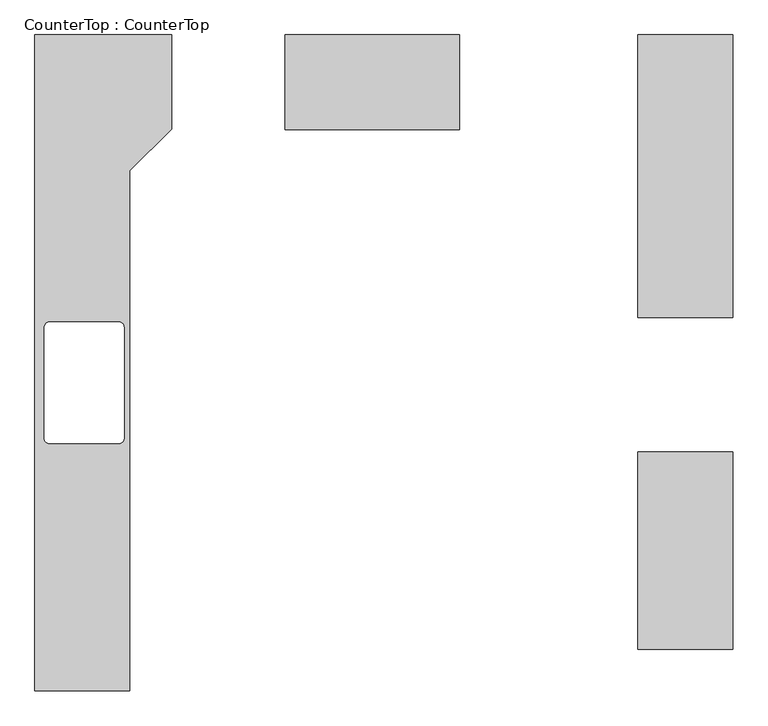
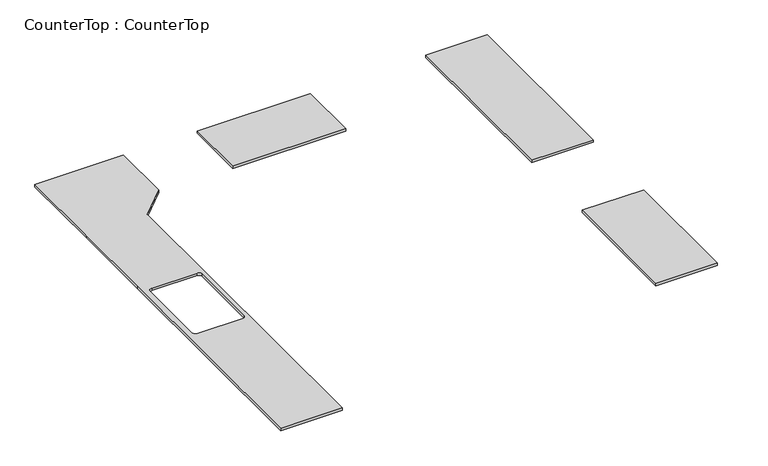
"""IFC4 building model written with IfcOpenShell, lengths in millimetres: proxy geometry, CounterTop : CounterTop."""

import ifcopenshell
import ifcopenshell.guid

model = None  # the IFC model being written
_history = None  # IfcOwnerHistory: only IFC2X3 demands one
_inside = {}  # id of a spatial element -> (the spatial element, [elements in it])
_under = {}  # id of a project, library or spatial element -> (it, [spatial elements below it])
_declared = {}  # id of a project -> (the project, [libraries it declares])
_typed = {}  # id of a type object -> (the type object, [elements of that type])
_made_of = {}  # id of a material, layer set ... -> (it, [elements and type objects made of it])


def new_model(schema):
    """Start an empty IFC model of exactly this schema.

    Asked for "IFC4X3", IfcOpenShell would pick the latest addendum, in which some entities
    have other attributes; the version numbers below select the first issue.
    IFC2X3 requires an IfcOwnerHistory on every rooted entity: one is made here for all.
    """
    global model, _history
    if schema == "IFC4X3":
        model = ifcopenshell.file(schema_version=(4, 3, 0, 0))
    else:
        model = ifcopenshell.file(schema=schema)
    _inside.clear()
    _under.clear()
    _declared.clear()
    _typed.clear()
    _made_of.clear()
    _history = None
    if model.schema == "IFC2X3":
        org = make("IfcOrganization", Name="unknown")
        user = make(
            "IfcPersonAndOrganization",
            ThePerson=make("IfcPerson", FamilyName="unknown"),
            TheOrganization=org,
        )
        app = make(
            "IfcApplication",
            ApplicationDeveloper=org,
            Version="unknown",
            ApplicationFullName="unknown",
            ApplicationIdentifier="unknown",
        )
        _history = make(
            "IfcOwnerHistory",
            OwningUser=user,
            OwningApplication=app,
            ChangeAction="ADDED",
            CreationDate=0,
        )
    return model


def make(cls, **values):
    """One entity of the class cls with the attributes given. An attribute that is None is left unset."""
    return model.create_entity(
        cls, **{name: value for name, value in values.items() if value is not None}
    )


def rooted(cls, **values):
    """An entity with a GlobalId (a new one), such as an element, a storey or a relation."""
    return make(cls, GlobalId=ifcopenshell.guid.new(), OwnerHistory=_history, **values)


def si_unit(unit_type, name, prefix=None):
    """IfcSIUnit, for example si_unit("LENGTHUNIT", "METRE", prefix="MILLI")."""
    return make("IfcSIUnit", UnitType=unit_type, Prefix=prefix, Name=name)


def assignment(units):
    """IfcUnitAssignment: the units of a project."""
    return None if units is None else make("IfcUnitAssignment", Units=units)


def point(xyz):
    """IfcCartesianPoint."""
    return None if xyz is None else make("IfcCartesianPoint", Coordinates=xyz)


def direction(xyz):
    """IfcDirection."""
    return None if xyz is None else make("IfcDirection", DirectionRatios=xyz)


def frame(location, z_axis=None, x_axis=None):
    """IfcAxis2Placement3D, a coordinate frame: its origin and axes. An axis left out is left unset."""
    return make(
        "IfcAxis2Placement3D",
        Location=point(location),
        Axis=direction(z_axis),
        RefDirection=direction(x_axis),
    )


def frame_2d(location, x_axis=None):
    """IfcAxis2Placement2D, a coordinate frame in the plane: its origin and x axis."""
    return make(
        "IfcAxis2Placement2D", Location=point(location), RefDirection=direction(x_axis)
    )


def origin():
    """The frame at (0, 0, 0) with its axes left unset."""
    return frame((0.0, 0.0, 0.0))


def place(relative_to, where):
    """IfcLocalPlacement: puts the frame where relative to a parent placement (None: the world)."""
    return make(
        "IfcLocalPlacement", PlacementRelTo=relative_to, RelativePlacement=where
    )


def context(
    kind, dimensions, precision=None, world=None, true_north=None, identifier=None
):
    """IfcGeometricRepresentationContext, for example the 3D "Model" context."""
    return make(
        "IfcGeometricRepresentationContext",
        ContextIdentifier=identifier,
        ContextType=kind,
        CoordinateSpaceDimension=dimensions,
        Precision=precision,
        WorldCoordinateSystem=world,
        TrueNorth=true_north,
    )


def project(units=None, contexts=None):
    """IfcProject with its units and contexts."""
    return rooted(
        "IfcProject",
        Name="project",
        RepresentationContexts=contexts,
        UnitsInContext=assignment(units),
    )


def spatial(cls, under=None, at=None, **own):
    """A site, building, storey or space (cls), placed at a placement, below another one or the project."""
    s = rooted(cls, ObjectPlacement=at, **own)
    if under is not None:
        _under.setdefault(under.id(), (under, []))[1].append(s)
    return s


def polyline(points):
    """IfcPolyline through the points."""
    return make("IfcPolyline", Points=[point(p) for p in points])


def circle_curve(where, radius):
    """IfcCircle in the frame where."""
    return make("IfcCircle", Position=where, Radius=radius)


def trimmed(basis, trim1, trim2, sense, master):
    """IfcTrimmedCurve: the piece of a basis curve between two trims."""
    return make(
        "IfcTrimmedCurve",
        BasisCurve=basis,
        Trim1=trim1,
        Trim2=trim2,
        SenseAgreement=sense,
        MasterRepresentation=master,
    )


def segment(curve, same_sense, transition):
    """IfcCompositeCurveSegment."""
    return make(
        "IfcCompositeCurveSegment",
        Transition=transition,
        SameSense=same_sense,
        ParentCurve=curve,
    )


def composite_curve(segments, self_intersect=None):
    """IfcCompositeCurve: segments joined end to end."""
    return make("IfcCompositeCurve", Segments=segments, SelfIntersect=self_intersect)


def outline(outer, holes=None, kind="AREA"):
    """IfcArbitraryClosedProfileDef: a profile drawn as a closed curve; with holes, ...WithVoids."""
    if holes is None:
        return make("IfcArbitraryClosedProfileDef", ProfileType=kind, OuterCurve=outer)
    return make(
        "IfcArbitraryProfileDefWithVoids",
        ProfileType=kind,
        OuterCurve=outer,
        InnerCurves=holes,
    )


def extrude(swept, where, along, depth):
    """IfcExtrudedAreaSolid: the profile swept, set in the frame where, extruded along a direction by depth."""
    return make(
        "IfcExtrudedAreaSolid",
        SweptArea=swept,
        Position=where,
        ExtrudedDirection=direction(along),
        Depth=depth,
    )


def shape(context_of_items, identifier, shape_type, items):
    """IfcShapeRepresentation: the items that make up one representation, for example the "Body"."""
    return make(
        "IfcShapeRepresentation",
        ContextOfItems=context_of_items,
        RepresentationIdentifier=identifier,
        RepresentationType=shape_type,
        Items=items,
    )


def source(mapping_origin, context_of_items, identifier, shape_type, items):
    """IfcRepresentationMap: a shape defined once, which mapped items show again and again."""
    return make(
        "IfcRepresentationMap",
        MappingOrigin=mapping_origin,
        MappedRepresentation=shape(context_of_items, identifier, shape_type, items),
    )


def transform(
    local_origin,
    x_axis=None,
    y_axis=None,
    z_axis=None,
    scale=None,
    scale2=None,
    scale3=None,
    uniform=True,
):
    """IfcCartesianTransformationOperator3D, or its non-uniform kind. x_axis, y_axis, z_axis: its Axis1, 2, 3."""
    if uniform:
        return make(
            "IfcCartesianTransformationOperator3D",
            Axis1=direction(x_axis),
            Axis2=direction(y_axis),
            LocalOrigin=point(local_origin),
            Scale=scale,
            Axis3=direction(z_axis),
        )
    return make(
        "IfcCartesianTransformationOperator3DnonUniform",
        Axis1=direction(x_axis),
        Axis2=direction(y_axis),
        LocalOrigin=point(local_origin),
        Scale=scale,
        Axis3=direction(z_axis),
        Scale2=scale2,
        Scale3=scale3,
    )


def mapped(mapping_source, mapping_target):
    """IfcMappedItem: shows the shape of a source again, moved by a transform."""
    return make(
        "IfcMappedItem", MappingSource=mapping_source, MappingTarget=mapping_target
    )


def made_of(thing, what):
    """Note that an element or type object is made of a material, layer set ...; save() writes the relation."""
    if what is not None:
        _made_of.setdefault(what.id(), (what, []))[1].append(thing)
    return thing


def element(
    cls,
    number,
    at=None,
    inside=None,
    cuts=None,
    type_object=None,
    material=None,
    context=None,
    identifier="Body",
    shape_type=None,
    held_by="IfcProductDefinitionShape",
    body=None,
    shapes=None,
    **own,
):
    """One element of the class cls, such as IfcWall. Its Tag is "e" and its number.

    at: its placement. inside: the storey or other place that contains it. cuts: it is an
    opening in that element (IfcRelVoidsElement). A single representation is given by context,
    identifier, shape_type and body (its items); several are given by shapes. held_by: the class
    of the entity that holds the representations. save() writes the other relations.
    """
    e = rooted(cls, Tag="e%d" % number, ObjectPlacement=at, **own)
    if body is not None:
        shapes = [shape(context, identifier, shape_type, body)]
    if shapes is not None:
        e.Representation = make(held_by, Representations=shapes)
    if inside is not None:
        _inside.setdefault(inside.id(), (inside, []))[1].append(e)
    if cuts is not None:
        rooted(
            "IfcRelVoidsElement", RelatingBuildingElement=cuts, RelatedOpeningElement=e
        )
    if type_object is not None:
        _typed.setdefault(type_object.id(), (type_object, []))[1].append(e)
    return made_of(e, material)


def aggregate(whole, parts):
    """IfcRelAggregates: a whole, such as a stair, and the parts it consists of."""
    return rooted("IfcRelAggregates", RelatingObject=whole, RelatedObjects=parts)


def save(model, path):
    """Write the relations noted so far, then the file.

    IfcRelAggregates (storeys below a building ...), IfcRelContainedInSpatialStructure (elements
    in a storey), IfcRelDefinesByType, IfcRelAssociatesMaterial and IfcRelDeclares: one each for
    every whole, place, type object, material and project.
    """
    for whole, parts in _under.values():
        aggregate(whole, parts)
    for where, things in _inside.values():
        rooted(
            "IfcRelContainedInSpatialStructure",
            RelatedElements=things,
            RelatingStructure=where,
        )
    for kind, things in _typed.values():
        rooted("IfcRelDefinesByType", RelatedObjects=things, RelatingType=kind)
    for what, things in _made_of.values():
        rooted("IfcRelAssociatesMaterial", RelatedObjects=things, RelatingMaterial=what)
    for by, libraries in _declared.values():
        rooted("IfcRelDeclares", RelatingContext=by, RelatedDefinitions=libraries)
    model.write(path)


def countertop_countertop_ad3d705a(model_context):
    return source(origin(), model_context, "Body", "SweptSolid", [
        extrude(outline(polyline([(-11989.1652977, -5048.5669965), (-11989.1652977, -2483.1669965), (-11989.1652977, -1568.7669965), (-11989.1652977, -654.3669965), (-11074.7652977, -654.3669965), (-11074.7652977, -1284.6044965), (-11354.1652977, -1564.0044965), (-11354.1652977, -5048.5669965), (-11989.1652977, -5048.5669965)]), holes=[composite_curve([segment(polyline([(-11424.194386, -2578.4169965), (-11894.094386, -2578.4169965)]), True, "CONTINUOUS"), segment(trimmed(circle_curve(frame_2d((-11894.094386, -2610.1669965)), 31.75), [point((-11894.094386, -2578.4169965))], [point((-11925.6652977, -2606.7994994))], True, "CARTESIAN"), True, "CONTINUOUS"), segment(polyline([(-11925.6652977, -2606.7994994), (-11925.6652977, -3362.8344936)]), True, "CONTINUOUS"), segment(trimmed(circle_curve(frame_2d((-11894.094386, -3359.4669965)), 31.75), [point((-11925.6652977, -3362.8344936))], [point((-11894.4482621, -3391.2150243))], True, "CARTESIAN"), True, "CONTINUOUS"), segment(polyline([(-11894.4482621, -3391.2150243), (-11423.8405099, -3391.2150243)]), True, "CONTINUOUS"), segment(trimmed(circle_curve(frame_2d((-11424.194386, -3359.4669965)), 31.75), [point((-11423.8405099, -3391.2150243))], [point((-11392.444386, -3359.4669965))], True, "CARTESIAN"), True, "CONTINUOUS"), segment(polyline([(-11392.444386, -3359.4669965), (-11392.444386, -2610.1669965)]), True, "CONTINUOUS"), segment(trimmed(circle_curve(frame_2d((-11424.194386, -2610.1669965)), 31.75), [point((-11392.444386, -2610.1669965))], [point((-11424.194386, -2578.4169965))], True, "CARTESIAN"), True, "CONTINUOUS")], self_intersect=False)]), frame((0.0, 0.0, 889.0), z_axis=(0.0, 0.0, 1.0), x_axis=(1.0, 0.0, 0.0)), (0.0, 0.0, 1.0), 25.4),
        extrude(outline(polyline([(-9144.3652977, -1289.3669965), (-10312.7652977, -1289.3669965), (-10312.7652977, -654.3669965), (-9144.3652977, -654.3669965), (-9144.3652977, -1289.3669965)])), frame((0.0, 0.0, 889.0), z_axis=(0.0, 0.0, 1.0), x_axis=(1.0, 0.0, 0.0)), (0.0, 0.0, 1.0), 25.4),
        extrude(outline(polyline([(-7315.5652977, -654.3669965), (-7315.5652977, -2546.6669965), (-7950.5652977, -2546.6669965), (-7950.5652977, -654.3669965), (-7315.5652977, -654.3669965)])), frame((0.0, 0.0, 889.0), z_axis=(0.0, 0.0, 1.0), x_axis=(1.0, 0.0, 0.0)), (0.0, 0.0, 1.0), 25.4),
        extrude(outline(polyline([(-7315.5652977, -3448.3669965), (-7315.5652977, -4769.1669965), (-7950.5652977, -4769.1669965), (-7950.5652977, -3448.3669965), (-7315.5652977, -3448.3669965)])), frame((0.0, 0.0, 889.0), z_axis=(0.0, 0.0, 1.0), x_axis=(1.0, 0.0, 0.0)), (0.0, 0.0, 1.0), 25.4),
    ])


if __name__ == "__main__":
    model = new_model("IFC4")
    model_context = context("Model", 3, world=origin())
    ifc_project = project(units=[si_unit("LENGTHUNIT", "METRE", prefix="MILLI")], contexts=[model_context])
    site = spatial("IfcSite", under=ifc_project)
    building = spatial("IfcBuilding", under=site)
    placement = place(None, origin())
    countertop_countertop_shape = countertop_countertop_ad3d705a(model_context)
    element("IfcBuildingElementProxy", 1, Name="CounterTop : CounterTop", ObjectType="CounterTop : CounterTop", at=placement, inside=building, context=model_context, shape_type="MappedRepresentation", body=[
        mapped(countertop_countertop_shape, transform((0.0, 0.0, 0.0), x_axis=(1.0, 0.0, 0.0), y_axis=(0.0, 1.0, 0.0), z_axis=(0.0, 0.0, 1.0))),
    ])
    save(model, "model.ifc")
